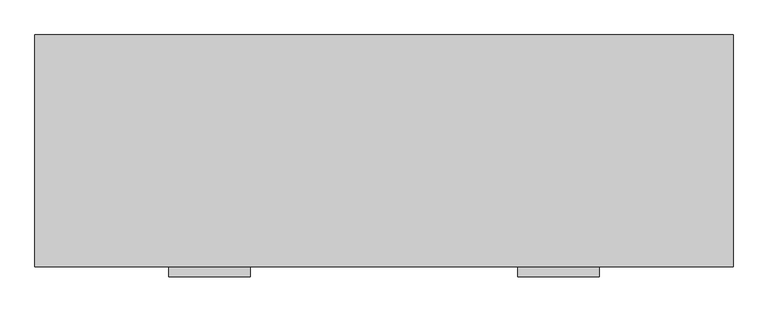
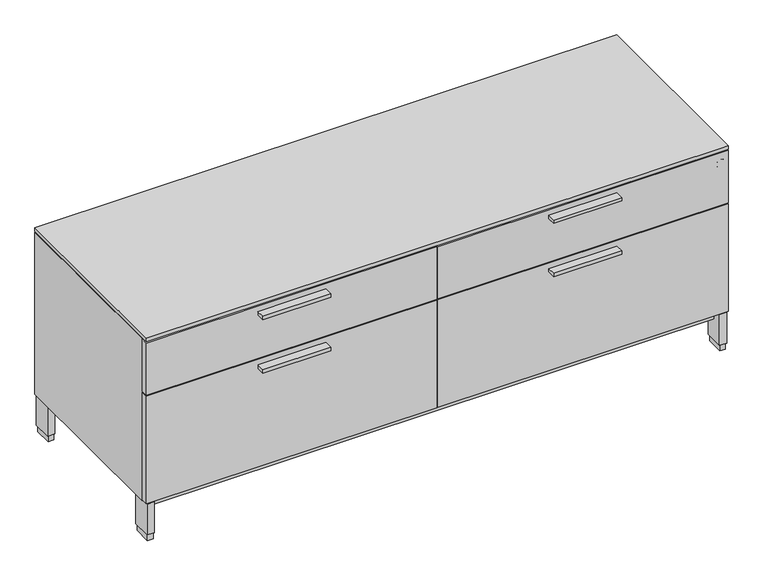
"""IFC4 building model written with IfcOpenShell, lengths in millimetres: furniture geometry."""

import ifcopenshell
import ifcopenshell.guid

model = None  # the IFC model being written
_history = None  # IfcOwnerHistory: only IFC2X3 demands one
_inside = {}  # id of a spatial element -> (the spatial element, [elements in it])
_under = {}  # id of a project, library or spatial element -> (it, [spatial elements below it])
_declared = {}  # id of a project -> (the project, [libraries it declares])
_typed = {}  # id of a type object -> (the type object, [elements of that type])
_made_of = {}  # id of a material, layer set ... -> (it, [elements and type objects made of it])


def new_model(schema):
    """Start an empty IFC model of exactly this schema.

    Asked for "IFC4X3", IfcOpenShell would pick the latest addendum, in which some entities
    have other attributes; the version numbers below select the first issue.
    IFC2X3 requires an IfcOwnerHistory on every rooted entity: one is made here for all.
    """
    global model, _history
    if schema == "IFC4X3":
        model = ifcopenshell.file(schema_version=(4, 3, 0, 0))
    else:
        model = ifcopenshell.file(schema=schema)
    _inside.clear()
    _under.clear()
    _declared.clear()
    _typed.clear()
    _made_of.clear()
    _history = None
    if model.schema == "IFC2X3":
        org = make("IfcOrganization", Name="unknown")
        user = make(
            "IfcPersonAndOrganization",
            ThePerson=make("IfcPerson", FamilyName="unknown"),
            TheOrganization=org,
        )
        app = make(
            "IfcApplication",
            ApplicationDeveloper=org,
            Version="unknown",
            ApplicationFullName="unknown",
            ApplicationIdentifier="unknown",
        )
        _history = make(
            "IfcOwnerHistory",
            OwningUser=user,
            OwningApplication=app,
            ChangeAction="ADDED",
            CreationDate=0,
        )
    return model


def make(cls, **values):
    """One entity of the class cls with the attributes given. An attribute that is None is left unset."""
    return model.create_entity(
        cls, **{name: value for name, value in values.items() if value is not None}
    )


def rooted(cls, **values):
    """An entity with a GlobalId (a new one), such as an element, a storey or a relation."""
    return make(cls, GlobalId=ifcopenshell.guid.new(), OwnerHistory=_history, **values)


def si_unit(unit_type, name, prefix=None):
    """IfcSIUnit, for example si_unit("LENGTHUNIT", "METRE", prefix="MILLI")."""
    return make("IfcSIUnit", UnitType=unit_type, Prefix=prefix, Name=name)


def assignment(units):
    """IfcUnitAssignment: the units of a project."""
    return None if units is None else make("IfcUnitAssignment", Units=units)


def point(xyz):
    """IfcCartesianPoint."""
    return None if xyz is None else make("IfcCartesianPoint", Coordinates=xyz)


def direction(xyz):
    """IfcDirection."""
    return None if xyz is None else make("IfcDirection", DirectionRatios=xyz)


def frame(location, z_axis=None, x_axis=None):
    """IfcAxis2Placement3D, a coordinate frame: its origin and axes. An axis left out is left unset."""
    return make(
        "IfcAxis2Placement3D",
        Location=point(location),
        Axis=direction(z_axis),
        RefDirection=direction(x_axis),
    )


def frame_2d(location, x_axis=None):
    """IfcAxis2Placement2D, a coordinate frame in the plane: its origin and x axis."""
    return make(
        "IfcAxis2Placement2D", Location=point(location), RefDirection=direction(x_axis)
    )


def origin():
    """The frame at (0, 0, 0) with its axes left unset."""
    return frame((0.0, 0.0, 0.0))


def origin_with_axes():
    """The frame at (0, 0, 0) with the z axis (0, 0, 1) and the x axis (1, 0, 0) written out."""
    return frame((0.0, 0.0, 0.0), z_axis=(0.0, 0.0, 1.0), x_axis=(1.0, 0.0, 0.0))


def place(relative_to, where):
    """IfcLocalPlacement: puts the frame where relative to a parent placement (None: the world)."""
    return make(
        "IfcLocalPlacement", PlacementRelTo=relative_to, RelativePlacement=where
    )


def context(
    kind, dimensions, precision=None, world=None, true_north=None, identifier=None
):
    """IfcGeometricRepresentationContext, for example the 3D "Model" context."""
    return make(
        "IfcGeometricRepresentationContext",
        ContextIdentifier=identifier,
        ContextType=kind,
        CoordinateSpaceDimension=dimensions,
        Precision=precision,
        WorldCoordinateSystem=world,
        TrueNorth=true_north,
    )


def project(units=None, contexts=None):
    """IfcProject with its units and contexts."""
    return rooted(
        "IfcProject",
        Name="project",
        RepresentationContexts=contexts,
        UnitsInContext=assignment(units),
    )


def spatial(cls, under=None, at=None, **own):
    """A site, building, storey or space (cls), placed at a placement, below another one or the project."""
    s = rooted(cls, ObjectPlacement=at, **own)
    if under is not None:
        _under.setdefault(under.id(), (under, []))[1].append(s)
    return s


def polyline(points):
    """IfcPolyline through the points."""
    return make("IfcPolyline", Points=[point(p) for p in points])


def circle_curve(where, radius):
    """IfcCircle in the frame where."""
    return make("IfcCircle", Position=where, Radius=radius)


def trimmed(basis, trim1, trim2, sense, master):
    """IfcTrimmedCurve: the piece of a basis curve between two trims."""
    return make(
        "IfcTrimmedCurve",
        BasisCurve=basis,
        Trim1=trim1,
        Trim2=trim2,
        SenseAgreement=sense,
        MasterRepresentation=master,
    )


def segment(curve, same_sense, transition):
    """IfcCompositeCurveSegment."""
    return make(
        "IfcCompositeCurveSegment",
        Transition=transition,
        SameSense=same_sense,
        ParentCurve=curve,
    )


def composite_curve(segments, self_intersect=None):
    """IfcCompositeCurve: segments joined end to end."""
    return make("IfcCompositeCurve", Segments=segments, SelfIntersect=self_intersect)


def outline(outer, holes=None, kind="AREA"):
    """IfcArbitraryClosedProfileDef: a profile drawn as a closed curve; with holes, ...WithVoids."""
    if holes is None:
        return make("IfcArbitraryClosedProfileDef", ProfileType=kind, OuterCurve=outer)
    return make(
        "IfcArbitraryProfileDefWithVoids",
        ProfileType=kind,
        OuterCurve=outer,
        InnerCurves=holes,
    )


def extrude(swept, where, along, depth):
    """IfcExtrudedAreaSolid: the profile swept, set in the frame where, extruded along a direction by depth."""
    return make(
        "IfcExtrudedAreaSolid",
        SweptArea=swept,
        Position=where,
        ExtrudedDirection=direction(along),
        Depth=depth,
    )


def faces_of(points, faces, orient=None, outer=None):
    """IfcFace entities. A face is a list of loops; a loop is a list of indices into points, from 0.

    orient and outer hold one flag for each loop. By default every Orientation is true, the
    first loop of a face is its IfcFaceOuterBound and the others are IfcFaceBound.
    """
    made = []
    for i, loops in enumerate(faces):
        bounds = []
        for j, loop in enumerate(loops):
            is_outer = j == 0 if outer is None else outer[i][j]
            bounds.append(
                make(
                    "IfcFaceOuterBound" if is_outer else "IfcFaceBound",
                    Bound=make("IfcPolyLoop", Polygon=[points[k] for k in loop]),
                    Orientation=True if orient is None else orient[i][j],
                )
            )
        made.append(make("IfcFace", Bounds=bounds))
    return made


def faceted_brep(points, faces, orient=None, outer=None, voids=None):
    """IfcFacetedBrep: a solid bounded by flat faces; with voids (closed shells), ...WithVoids."""
    shared = [point(p) for p in points]
    hull = make("IfcClosedShell", CfsFaces=faces_of(shared, faces, orient, outer))
    if voids is None:
        return make("IfcFacetedBrep", Outer=hull)
    return make(
        "IfcFacetedBrepWithVoids",
        Outer=hull,
        Voids=[
            make(cls, CfsFaces=faces_of(shared, fs, o, b)) for cls, fs, o, b in voids
        ],
    )


def shape(context_of_items, identifier, shape_type, items):
    """IfcShapeRepresentation: the items that make up one representation, for example the "Body"."""
    return make(
        "IfcShapeRepresentation",
        ContextOfItems=context_of_items,
        RepresentationIdentifier=identifier,
        RepresentationType=shape_type,
        Items=items,
    )


def source(mapping_origin, context_of_items, identifier, shape_type, items):
    """IfcRepresentationMap: a shape defined once, which mapped items show again and again."""
    return make(
        "IfcRepresentationMap",
        MappingOrigin=mapping_origin,
        MappedRepresentation=shape(context_of_items, identifier, shape_type, items),
    )


def transform(
    local_origin,
    x_axis=None,
    y_axis=None,
    z_axis=None,
    scale=None,
    scale2=None,
    scale3=None,
    uniform=True,
):
    """IfcCartesianTransformationOperator3D, or its non-uniform kind. x_axis, y_axis, z_axis: its Axis1, 2, 3."""
    if uniform:
        return make(
            "IfcCartesianTransformationOperator3D",
            Axis1=direction(x_axis),
            Axis2=direction(y_axis),
            LocalOrigin=point(local_origin),
            Scale=scale,
            Axis3=direction(z_axis),
        )
    return make(
        "IfcCartesianTransformationOperator3DnonUniform",
        Axis1=direction(x_axis),
        Axis2=direction(y_axis),
        LocalOrigin=point(local_origin),
        Scale=scale,
        Axis3=direction(z_axis),
        Scale2=scale2,
        Scale3=scale3,
    )


def mapped(mapping_source, mapping_target):
    """IfcMappedItem: shows the shape of a source again, moved by a transform."""
    return make(
        "IfcMappedItem", MappingSource=mapping_source, MappingTarget=mapping_target
    )


def made_of(thing, what):
    """Note that an element or type object is made of a material, layer set ...; save() writes the relation."""
    if what is not None:
        _made_of.setdefault(what.id(), (what, []))[1].append(thing)
    return thing


def element(
    cls,
    number,
    at=None,
    inside=None,
    cuts=None,
    type_object=None,
    material=None,
    context=None,
    identifier="Body",
    shape_type=None,
    held_by="IfcProductDefinitionShape",
    body=None,
    shapes=None,
    **own,
):
    """One element of the class cls, such as IfcWall. Its Tag is "e" and its number.

    at: its placement. inside: the storey or other place that contains it. cuts: it is an
    opening in that element (IfcRelVoidsElement). A single representation is given by context,
    identifier, shape_type and body (its items); several are given by shapes. held_by: the class
    of the entity that holds the representations. save() writes the other relations.
    """
    e = rooted(cls, Tag="e%d" % number, ObjectPlacement=at, **own)
    if body is not None:
        shapes = [shape(context, identifier, shape_type, body)]
    if shapes is not None:
        e.Representation = make(held_by, Representations=shapes)
    if inside is not None:
        _inside.setdefault(inside.id(), (inside, []))[1].append(e)
    if cuts is not None:
        rooted(
            "IfcRelVoidsElement", RelatingBuildingElement=cuts, RelatedOpeningElement=e
        )
    if type_object is not None:
        _typed.setdefault(type_object.id(), (type_object, []))[1].append(e)
    return made_of(e, material)


def aggregate(whole, parts):
    """IfcRelAggregates: a whole, such as a stair, and the parts it consists of."""
    return rooted("IfcRelAggregates", RelatingObject=whole, RelatedObjects=parts)


def save(model, path):
    """Write the relations noted so far, then the file.

    IfcRelAggregates (storeys below a building ...), IfcRelContainedInSpatialStructure (elements
    in a storey), IfcRelDefinesByType, IfcRelAssociatesMaterial and IfcRelDeclares: one each for
    every whole, place, type object, material and project.
    """
    for whole, parts in _under.values():
        aggregate(whole, parts)
    for where, things in _inside.values():
        rooted(
            "IfcRelContainedInSpatialStructure",
            RelatedElements=things,
            RelatingStructure=where,
        )
    for kind, things in _typed.values():
        rooted("IfcRelDefinesByType", RelatedObjects=things, RelatingType=kind)
    for what, things in _made_of.values():
        rooted("IfcRelAssociatesMaterial", RelatedObjects=things, RelatingMaterial=what)
    for by, libraries in _declared.values():
        rooted("IfcRelDeclares", RelatingContext=by, RelatedDefinitions=libraries)
    model.write(path)


def furniture_a1edda05(model_context):
    return source(origin(), model_context, "Body", "SolidModel", [
        extrude(outline(polyline([(292.89375, -528.574), (292.89375, -506.349), (470.69375, -506.349), (470.69375, -528.574), (292.89375, -528.574)])), frame((0.0, 0.0, 378.00026), z_axis=(0.0, 0.0, 1.0), x_axis=(1.0, 0.0, 0.0)), (0.0, 0.0, 1.0), 9.525),
        extrude(outline(polyline([(292.89375, -528.574), (292.89375, -506.349), (470.69375, -506.349), (470.69375, -528.574), (292.89375, -528.574)])), frame((0.0, 0.0, 525.44726), z_axis=(0.0, 0.0, 1.0), x_axis=(1.0, 0.0, 0.0)), (0.0, 0.0, 1.0), 9.525),
        extrude(outline(polyline([(1231.10625, -528.574), (1053.30625, -528.574), (1053.30625, -506.349), (1231.10625, -506.349), (1231.10625, -528.574)])), frame((0.0, 0.0, 378.00026), z_axis=(0.0, 0.0, 1.0), x_axis=(1.0, 0.0, 0.0)), (0.0, 0.0, 1.0), 9.525),
        extrude(outline(polyline([(1231.10625, -528.574), (1053.30625, -528.574), (1053.30625, -506.349), (1231.10625, -506.349), (1231.10625, -528.574)])), frame((0.0, 0.0, 525.44726), z_axis=(0.0, 0.0, 1.0), x_axis=(1.0, 0.0, 0.0)), (0.0, 0.0, 1.0), 9.525),
        extrude(outline(polyline([(760.4125, -506.349), (1.5875, -506.349), (1.5875, -487.045), (760.4125, -487.045), (760.4125, -506.349)])), frame((0.0, 0.0, 405.511), z_axis=(0.0, 0.0, 1.0), x_axis=(1.0, 0.0, 0.0)), (0.0, 0.0, 1.0), 144.272),
        extrude(outline(polyline([(760.4125, -506.349), (1.5875, -506.349), (1.5875, -487.045), (760.4125, -487.045), (760.4125, -506.349)])), frame((0.0, 0.0, 105.283), z_axis=(0.0, 0.0, 1.0), x_axis=(1.0, 0.0, 0.0)), (0.0, 0.0, 1.0), 297.053),
        extrude(outline(polyline([(1522.4125, -506.349), (763.5875, -506.349), (763.5875, -487.045), (1522.4125, -487.045), (1522.4125, -506.349)])), frame((0.0, 0.0, 405.511), z_axis=(0.0, 0.0, 1.0), x_axis=(1.0, 0.0, 0.0)), (0.0, 0.0, 1.0), 144.272),
        extrude(outline(polyline([(1522.4125, -506.349), (763.5875, -506.349), (763.5875, -487.045), (1522.4125, -487.045), (1522.4125, -506.349)])), frame((0.0, 0.0, 105.283), z_axis=(0.0, 0.0, 1.0), x_axis=(1.0, 0.0, 0.0)), (0.0, 0.0, 1.0), 297.053),
        extrude(outline(polyline([(23.4569, -3.556), (23.4569, -54.356), (4.4069, -54.356), (4.4069, -3.556), (23.4569, -3.556)])), frame((0.0, 0.0, 17.399), z_axis=(0.0, 0.0, 1.0), x_axis=(1.0, 0.0, 0.0)), (0.0, 0.0, 1.0), 84.709),
        extrude(outline(polyline([(1519.5931, -3.556), (1519.5931, -54.356), (1500.5431, -54.356), (1500.5431, -3.556), (1519.5931, -3.556)])), frame((0.0, 0.0, 17.399), z_axis=(0.0, 0.0, 1.0), x_axis=(1.0, 0.0, 0.0)), (0.0, 0.0, 1.0), 84.709),
        extrude(outline(polyline([(1519.5931, -453.898), (1519.5931, -504.698), (1500.5431, -504.698), (1500.5431, -453.898), (1519.5931, -453.898)])), frame((0.0, 0.0, 17.399), z_axis=(0.0, 0.0, 1.0), x_axis=(1.0, 0.0, 0.0)), (0.0, 0.0, 1.0), 84.709),
        extrude(outline(polyline([(23.4569, -453.898), (23.4569, -504.698), (4.4069, -504.698), (4.4069, -453.898), (23.4569, -453.898)])), frame((0.0, 0.0, 17.399), z_axis=(0.0, 0.0, 1.0), x_axis=(1.0, 0.0, 0.0)), (0.0, 0.0, 1.0), 84.709),
        extrude(outline(polyline([(1521.714, -487.045), (3.8735, -487.045), (3.8735, -2.3114), (1521.714, -2.3114), (1521.714, -487.045)])), frame((0.0, 0.0, 549.783), z_axis=(0.0, 0.0, 1.0), x_axis=(1.0, 0.0, 0.0)), (0.0, 0.0, 1.0), 1.905),
        extrude(outline(polyline([(21.2979, -5.715), (21.2979, -52.197), (6.5659, -52.197), (6.5659, -5.715), (21.2979, -5.715)])), origin_with_axes(), (0.0, 0.0, 1.0), 17.399),
        extrude(outline(polyline([(1517.4341, -5.715), (1517.4341, -52.197), (1502.7021, -52.197), (1502.7021, -5.715), (1517.4341, -5.715)])), origin_with_axes(), (0.0, 0.0, 1.0), 17.399),
        extrude(outline(polyline([(1517.4341, -456.057), (1517.4341, -502.539), (1502.7021, -502.539), (1502.7021, -456.057), (1517.4341, -456.057)])), origin_with_axes(), (0.0, 0.0, 1.0), 17.399),
        extrude(outline(polyline([(21.2979, -456.057), (21.2979, -502.539), (6.5659, -502.539), (6.5659, -456.057), (21.2979, -456.057)])), origin_with_axes(), (0.0, 0.0, 1.0), 17.399),
        extrude(outline(polyline([(1522.4125, -506.349), (1.5875, -506.349), (1.5875, -1.524), (1522.4125, -1.524), (1522.4125, -506.349)])), frame((0.0, 0.0, 553.2882), z_axis=(0.0, 0.0, 1.0), x_axis=(1.0, 0.0, 0.0)), (0.0, 0.0, 1.0), 9.525),
        extrude(outline(polyline([(1500.5431, -480.5537946), (23.4569, -480.5537946), (23.4569, -26.9983538), (1500.5431, -26.9983538), (1500.5431, -480.5537946)])), frame((0.0, 0.0, 76.708), z_axis=(0.0, 0.0, 1.0), x_axis=(1.0, 0.0, 0.0)), (0.0, 0.0, 1.0), 25.4),
        faceted_brep([(1522.4125, -1.524, 549.783), (1522.4125, -1.524, 102.108), (1.5875, -1.524, 102.108), (1.5875, -1.524, 549.783), (1.5875, -487.045, 549.783), (1522.4125, -487.045, 549.783), (1.5875, -487.045, 102.108), (1522.4125, -487.045, 102.108), (1500.1875, -23.749, 532.3078), (23.8125, -23.749, 532.3078), (23.8125, -23.749, 122.7582), (1500.1875, -23.749, 122.7582), (1500.1875, -487.045, 532.3078), (23.8125, -487.045, 532.3078), (23.8125, -487.045, 122.7582), (1500.1875, -487.045, 122.7582)], [[[0, 1, 2, 3]], [[0, 3, 4, 5]], [[3, 2, 6, 4]], [[2, 1, 7, 6]], [[1, 0, 5, 7]], [[8, 9, 10, 11]], [[9, 8, 12, 13]], [[10, 9, 13, 14]], [[11, 10, 14, 15]], [[8, 11, 15, 12]], [[5, 4, 6, 7], [13, 12, 15, 14]]]),
        extrude(outline(composite_curve([segment(trimmed(circle_curve(frame_2d((521.24864, 1502.58526)), 11.18616), [point((521.24864, 1491.3991))], [point((521.24864, 1513.77142))], False, "CARTESIAN"), True, "CONTINUOUS"), segment(trimmed(circle_curve(frame_2d((521.24864, 1502.58526)), 11.18616), [point((521.24864, 1513.77142))], [point((521.24864, 1491.3991))], False, "CARTESIAN"), True, "CONTINUOUS")], self_intersect=False)), frame((0.0, -506.603, 0.0), z_axis=(0.0, 1.0, 0.0), x_axis=(0.0, 0.0, 1.0)), (0.0, 0.0, 1.0), 3.429),
    ])


if __name__ == "__main__":
    model = new_model("IFC4")
    model_context = context("Model", 3, world=origin())
    ifc_project = project(units=[si_unit("LENGTHUNIT", "METRE", prefix="MILLI")], contexts=[model_context])
    site = spatial("IfcSite", under=ifc_project)
    building = spatial("IfcBuilding", under=site)
    placement = place(None, origin())
    furniture_shape = furniture_a1edda05(model_context)
    element("IfcFurniture", 1, at=placement, inside=building, context=model_context, shape_type="MappedRepresentation", body=[
        mapped(furniture_shape, transform((0.0, 0.0, 0.0), x_axis=(1.0, 0.0, 0.0), y_axis=(0.0, 1.0, 0.0), z_axis=(0.0, 0.0, 1.0))),
    ])
    save(model, "model.ifc")
